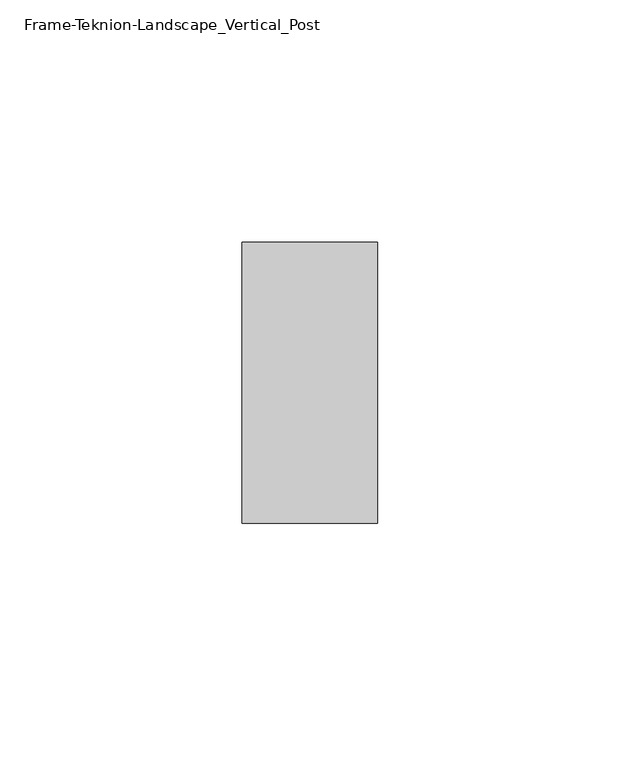
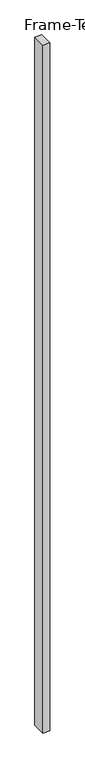
"""IFC4 building model written with IfcOpenShell, lengths in millimetres: proxy geometry, Frame-Teknion-Landscape_Vertical_Post."""

from ifc_helpers import new_model, si_unit, origin, origin_with_axes, place, context, project, spatial, polyline, outline, extrude, source, transform, mapped, element, save


def frame_teknion_landscape_vertical_post_b621eeab(model_context):
    return source(origin(), model_context, "Body", "SweptSolid", [
        extrude(outline(polyline([(-13.9898437, -28.971875), (-13.9898437, 28.971875), (13.9898438, 28.971875), (13.9898438, -28.971875), (-13.9898437, -28.971875)])), origin_with_axes(), (0.0, 0.0, 1.0), 3016.25),
    ])


if __name__ == "__main__":
    model = new_model("IFC4")
    model_context = context("Model", 3, world=origin())
    ifc_project = project(units=[si_unit("LENGTHUNIT", "METRE", prefix="MILLI")], contexts=[model_context])
    site = spatial("IfcSite", under=ifc_project)
    building = spatial("IfcBuilding", under=site)
    placement = place(None, origin())
    frame_teknion_landscape_vertical_post_shape = frame_teknion_landscape_vertical_post_b621eeab(model_context)
    element("IfcBuildingElementProxy", 1, Name="Frame-Teknion-Landscape_Vertical_Post", ObjectType="Frame-Teknion-Landscape_Vertical_Post", at=placement, inside=building, context=model_context, shape_type="MappedRepresentation", body=[
        mapped(frame_teknion_landscape_vertical_post_shape, transform((0.0, 0.0, 0.0), x_axis=(1.0, 0.0, 0.0), y_axis=(0.0, 1.0, 0.0), z_axis=(0.0, 0.0, 1.0))),
    ])
    save(model, "model.ifc")
